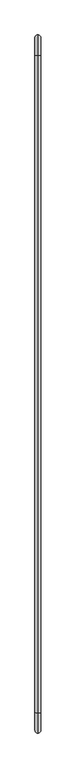
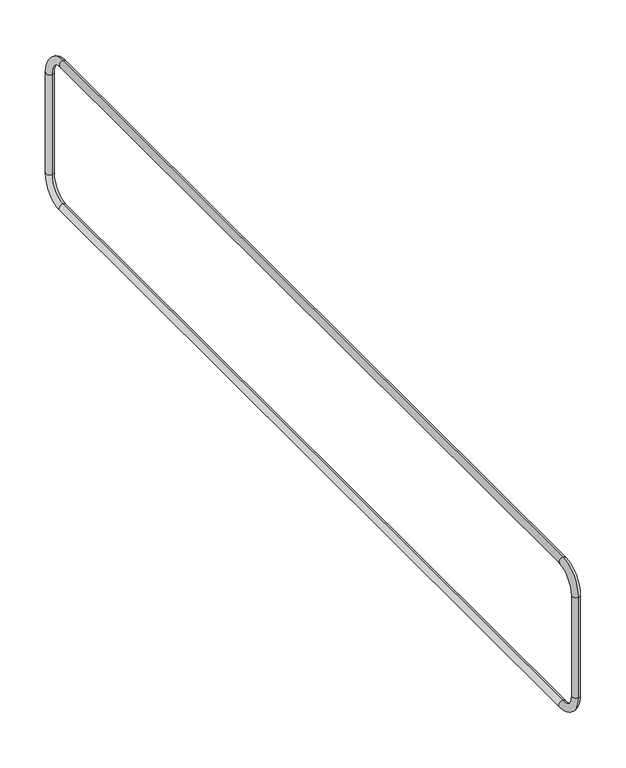
"""IFC4 building model written with IfcOpenShell, lengths in millimetres: beam geometry."""

from ifc_helpers import new_model, si_unit, point, frame, origin, place, context, project, spatial, circle_curve, ellipse_curve, trimmed, source, transform, mapped, element, save
from ifc_brep_helpers import cylinder_surface, revolved_surface, advanced_brep


def beam_3e087c7d(model_context):
    return source(origin(), model_context, "Body", "AdvancedBrep", [
        advanced_brep(
        [(0.0, -30.0, -0.2869889), (0.0, 5.0, -35.2869889), (0.0, -5.0, -35.2869889), (0.0, -30.0, -10.2869889), (0.0, -1170.0, -10.2869889), (0.0, -1170.0, -0.2869889), (0.0, -1205.0, -35.2869889), (0.0, -1195.0, -35.2869889), (0.0, -1195.0, -175.2869889), (0.0, -1205.0, -175.2869889), (0.0, -1170.0, -210.2869889), (0.0, -1170.0, -200.2869889), (0.0, -30.0, -200.2869889), (0.0, -30.0, -210.2869889), (0.0, 5.0, -175.2869889), (0.0, -5.0, -175.2869889)],
        [
            (0, 1, circle_curve(frame((0.0, -30.0, -35.2869889), z_axis=(-1.0, 0.0, 0.0), x_axis=(0.0, 1.0, 0.0)), 35.0)),
            (1, 2, circle_curve(frame((0.0, 0.0, -35.2869889), z_axis=(0.0, 0.0, 1.0), x_axis=(0.0, -1.0, 0.0)), 5.0)),
            (2, 3, circle_curve(frame((0.0, -30.0, -35.2869889), z_axis=(1.0, 0.0, 0.0), x_axis=(0.0, 1.0, 0.0)), 25.0)),
            (3, 0, circle_curve(frame((0.0, -30.0, -5.2869889), z_axis=(0.0, 1.0, 0.0), x_axis=(0.0, 0.0, -1.0)), 5.0)),
            (2, 1, circle_curve(frame((0.0, 0.0, -35.2869889), z_axis=(0.0, 0.0, 1.0), x_axis=(0.0, -1.0, 0.0)), 5.0)),
            (0, 3, circle_curve(frame((0.0, -30.0, -5.2869889), z_axis=(0.0, 1.0, 0.0), x_axis=(0.0, 0.0, -1.0)), 5.0)),
            (3, 4),
            (4, 5, circle_curve(frame((0.0, -1170.0, -5.2869889), z_axis=(0.0, 1.0, 0.0), x_axis=(0.0, 0.0, -1.0)), 5.0)),
            (5, 0),
            (5, 4, circle_curve(frame((0.0, -1170.0, -5.2869889), z_axis=(0.0, 1.0, 0.0), x_axis=(0.0, 0.0, -1.0)), 5.0)),
            (6, 5, circle_curve(frame((0.0, -1170.0, -35.2869889), z_axis=(-1.0, 0.0, 0.0), x_axis=(0.0, 0.0, 1.0)), 35.0)),
            (4, 7, circle_curve(frame((0.0, -1170.0, -35.2869889), z_axis=(1.0, 0.0, 0.0), x_axis=(0.0, 0.0, 1.0)), 25.0)),
            (7, 6, circle_curve(frame((0.0, -1200.0, -35.2869889), z_axis=(0.0, 0.0, 1.0), x_axis=(0.0, 1.0, 0.0)), 5.0)),
            (6, 7, circle_curve(frame((0.0, -1200.0, -35.2869889), z_axis=(0.0, 0.0, 1.0), x_axis=(0.0, 1.0, 0.0)), 5.0)),
            (7, 8),
            (8, 9, circle_curve(frame((0.0, -1200.0, -175.2869889), z_axis=(0.0, 0.0, 1.0), x_axis=(0.0, 1.0, 0.0)), 5.0)),
            (9, 6),
            (9, 8, circle_curve(frame((0.0, -1200.0, -175.2869889), z_axis=(0.0, 0.0, 1.0), x_axis=(0.0, 1.0, 0.0)), 5.0)),
            (10, 9, circle_curve(frame((0.0, -1170.0, -175.2869889), z_axis=(-1.0, 0.0, 0.0), x_axis=(0.0, -1.0, 0.0)), 35.0)),
            (8, 11, circle_curve(frame((0.0, -1170.0, -175.2869889), z_axis=(1.0, 0.0, 0.0), x_axis=(0.0, -1.0, 0.0)), 25.0)),
            (11, 10, circle_curve(frame((0.0, -1170.0, -205.2869889), z_axis=(0.0, -1.0, 0.0), x_axis=(0.0, 0.0, 1.0)), 5.0)),
            (10, 11, circle_curve(frame((0.0, -1170.0, -205.2869889), z_axis=(0.0, -1.0, 0.0), x_axis=(0.0, 0.0, 1.0)), 5.0)),
            (11, 12),
            (12, 13, circle_curve(frame((0.0, -30.0, -205.2869889), z_axis=(0.0, -1.0, 0.0), x_axis=(0.0, 0.0, 1.0)), 5.0)),
            (13, 10),
            (13, 12, circle_curve(frame((0.0, -30.0, -205.2869889), z_axis=(0.0, -1.0, 0.0), x_axis=(0.0, 0.0, 1.0)), 5.0)),
            (14, 13, circle_curve(frame((0.0, -30.0, -175.2869889), z_axis=(-1.0, 0.0, 0.0), x_axis=(0.0, 0.0, -1.0)), 35.0)),
            (12, 15, circle_curve(frame((0.0, -30.0, -175.2869889), z_axis=(1.0, 0.0, 0.0), x_axis=(0.0, 0.0, -1.0)), 25.0)),
            (15, 14, circle_curve(frame((0.0, 0.0, -175.2869889), z_axis=(0.0, 0.0, -1.0), x_axis=(0.0, -1.0, 0.0)), 5.0)),
            (14, 15, circle_curve(frame((0.0, 0.0, -175.2869889), z_axis=(0.0, 0.0, -1.0), x_axis=(0.0, -1.0, 0.0)), 5.0)),
            (15, 2),
            (1, 14),
        ],
        [
            revolved_surface(trimmed(ellipse_curve(frame((0.0, 0.0, -35.2869889), z_axis=(0.0, 0.0, -1.0), x_axis=(0.0, -1.0, 0.0)), 5.0, 5.0), [point((0.0, -5.0, -35.2869889))], [point((0.0, 5.0, -35.2869889))], True, "CARTESIAN"), (0.0, -30.0, -35.2869889), (1.0, 0.0, 0.0)),
            revolved_surface(trimmed(ellipse_curve(frame((0.0, 0.0, -35.2869889), z_axis=(0.0, 0.0, -1.0), x_axis=(0.0, -1.0, 0.0)), 5.0, 5.0), [point((0.0, 5.0, -35.2869889))], [point((0.0, -5.0, -35.2869889))], True, "CARTESIAN"), (0.0, -30.0, -35.2869889), (1.0, 0.0, 0.0)),
            cylinder_surface(frame((0.0, -30.0, -5.2869889), z_axis=(0.0, 1.0, 0.0), x_axis=(0.0, 0.0, -1.0)), 5.0),
            revolved_surface(trimmed(ellipse_curve(frame((0.0, -1170.0, -5.2869889), z_axis=(0.0, 1.0, 0.0), x_axis=(0.0, 0.0, -1.0)), 5.0, 5.0), [point((0.0, -1170.0, -10.2869889))], [point((0.0, -1170.0, -0.2869889))], True, "CARTESIAN"), (0.0, -1170.0, -35.2869889), (1.0, 0.0, 0.0)),
            revolved_surface(trimmed(ellipse_curve(frame((0.0, -1170.0, -5.2869889), z_axis=(0.0, 1.0, 0.0), x_axis=(0.0, 0.0, -1.0)), 5.0, 5.0), [point((0.0, -1170.0, -0.2869889))], [point((0.0, -1170.0, -10.2869889))], True, "CARTESIAN"), (0.0, -1170.0, -35.2869889), (1.0, 0.0, 0.0)),
            cylinder_surface(frame((0.0, -1200.0, -35.2869889), z_axis=(0.0, 0.0, 1.0), x_axis=(0.0, 1.0, 0.0)), 5.0),
            revolved_surface(trimmed(ellipse_curve(frame((0.0, -1200.0, -175.2869889), z_axis=(0.0, 0.0, 1.0), x_axis=(0.0, 1.0, 0.0)), 5.0, 5.0), [point((0.0, -1195.0, -175.2869889))], [point((0.0, -1205.0, -175.2869889))], True, "CARTESIAN"), (0.0, -1170.0, -175.2869889), (1.0, 0.0, 0.0)),
            revolved_surface(trimmed(ellipse_curve(frame((0.0, -1200.0, -175.2869889), z_axis=(0.0, 0.0, 1.0), x_axis=(0.0, 1.0, 0.0)), 5.0, 5.0), [point((0.0, -1205.0, -175.2869889))], [point((0.0, -1195.0, -175.2869889))], True, "CARTESIAN"), (0.0, -1170.0, -175.2869889), (1.0, 0.0, 0.0)),
            cylinder_surface(frame((0.0, -1170.0, -205.2869889), z_axis=(0.0, -1.0, 0.0), x_axis=(0.0, 0.0, 1.0)), 5.0),
            revolved_surface(trimmed(ellipse_curve(frame((0.0, -30.0, -205.2869889), z_axis=(0.0, -1.0, 0.0), x_axis=(0.0, 0.0, 1.0)), 5.0, 5.0), [point((0.0, -30.0, -200.2869889))], [point((0.0, -30.0, -210.2869889))], True, "CARTESIAN"), (0.0, -30.0, -175.2869889), (1.0, 0.0, 0.0)),
            revolved_surface(trimmed(ellipse_curve(frame((0.0, -30.0, -205.2869889), z_axis=(0.0, -1.0, 0.0), x_axis=(0.0, 0.0, 1.0)), 5.0, 5.0), [point((0.0, -30.0, -210.2869889))], [point((0.0, -30.0, -200.2869889))], True, "CARTESIAN"), (0.0, -30.0, -175.2869889), (1.0, 0.0, 0.0)),
            cylinder_surface(frame((0.0, 0.0, -175.2869889), z_axis=(0.0, 0.0, -1.0), x_axis=(0.0, -1.0, 0.0)), 5.0),
        ],
        [
            (0, [[1, 2, 3, 4]]),
            (1, [[-3, 5, -1, 6]]),
            (2, [[-4, 7, 8, 9]]),
            (2, [[-6, -9, 10, -7]]),
            (3, [[11, -8, 12, 13]]),
            (4, [[-12, -10, -11, 14]]),
            (5, [[-13, 15, 16, 17]]),
            (5, [[-14, -17, 18, -15]]),
            (6, [[19, -16, 20, 21]]),
            (7, [[-20, -18, -19, 22]]),
            (8, [[-21, 23, 24, 25]]),
            (8, [[-22, -25, 26, -23]]),
            (9, [[27, -24, 28, 29]]),
            (10, [[-28, -26, -27, 30]]),
            (11, [[-29, 31, -2, 32]]),
            (11, [[-30, -32, -5, -31]]),
        ],
    ),
    ])


if __name__ == "__main__":
    model = new_model("IFC4")
    model_context = context("Model", 3, world=origin())
    ifc_project = project(units=[si_unit("LENGTHUNIT", "METRE", prefix="MILLI")], contexts=[model_context])
    site = spatial("IfcSite", under=ifc_project)
    building = spatial("IfcBuilding", under=site)
    placement = place(None, origin())
    beam_shape = beam_3e087c7d(model_context)
    element("IfcBeam", 1, at=placement, inside=building, context=model_context, shape_type="MappedRepresentation", body=[
        mapped(beam_shape, transform((0.0, 0.0, 0.0), x_axis=(1.0, 0.0, 0.0), y_axis=(0.0, 1.0, 0.0), z_axis=(0.0, 0.0, 1.0))),
    ])
    save(model, "model.ifc")
